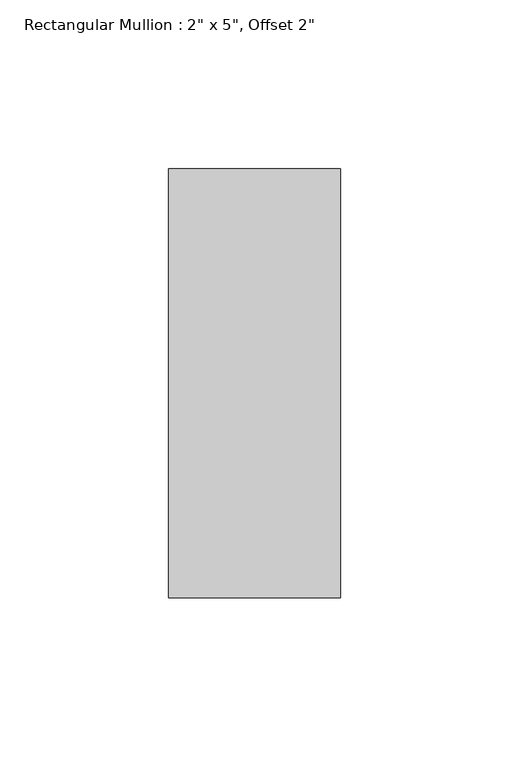
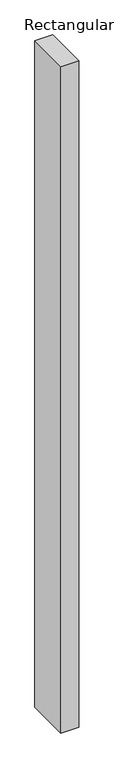
"""IFC4 building model written with IfcOpenShell, lengths in millimetres: member geometry."""

from ifc_helpers import new_model, si_unit, frame, origin, place, context, project, spatial, polyline, outline, extrude, source, transform, mapped, element, save


def member_a3e76c57(model_context):
    return source(origin(), model_context, "Body", "SweptSolid", [
        extrude(outline(polyline([(0.0, 12.7), (0.0, -114.3), (-50.8, -114.3), (-50.8, 12.7), (0.0, 12.7)])), frame((0.0, 0.0, -1987.55), z_axis=(0.0, 0.0, 1.0), x_axis=(1.0, 0.0, 0.0)), (0.0, 0.0, 1.0), 1987.55),
    ])


if __name__ == "__main__":
    model = new_model("IFC4")
    model_context = context("Model", 3, world=origin())
    ifc_project = project(units=[si_unit("LENGTHUNIT", "METRE", prefix="MILLI")], contexts=[model_context])
    site = spatial("IfcSite", under=ifc_project)
    building = spatial("IfcBuilding", under=site)
    placement = place(None, origin())
    member_shape = member_a3e76c57(model_context)
    element("IfcMember", 1, ObjectType="Rectangular Mullion : 2\" x 5\", Offset 2\"", at=placement, inside=building, context=model_context, shape_type="MappedRepresentation", body=[
        mapped(member_shape, transform((0.0, 0.0, 0.0), x_axis=(1.0, 0.0, 0.0), y_axis=(0.0, 1.0, 0.0), z_axis=(0.0, 0.0, 1.0))),
    ])
    save(model, "model.ifc")
